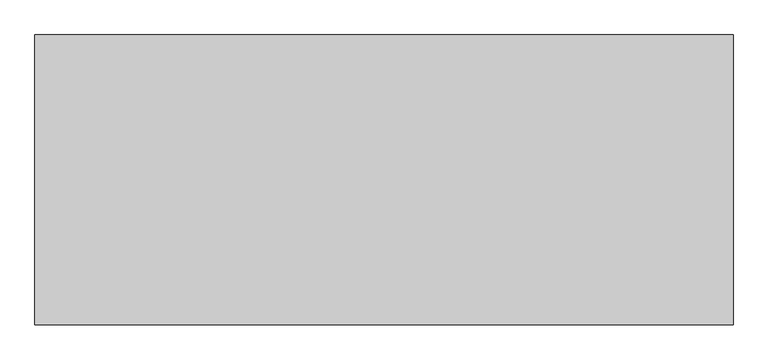
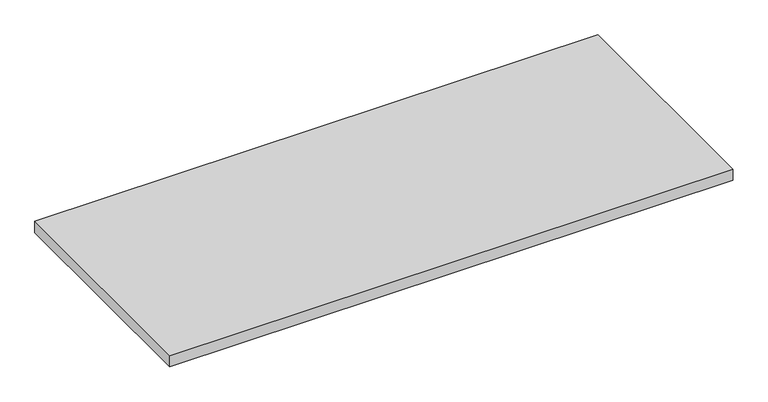
"""IFC4 building model written with IfcOpenShell, lengths in millimetres: furniture geometry."""

import ifcopenshell
import ifcopenshell.guid

model = None  # the IFC model being written
_history = None  # IfcOwnerHistory: only IFC2X3 demands one
_inside = {}  # id of a spatial element -> (the spatial element, [elements in it])
_under = {}  # id of a project, library or spatial element -> (it, [spatial elements below it])
_declared = {}  # id of a project -> (the project, [libraries it declares])
_typed = {}  # id of a type object -> (the type object, [elements of that type])
_made_of = {}  # id of a material, layer set ... -> (it, [elements and type objects made of it])


def new_model(schema):
    """Start an empty IFC model of exactly this schema.

    Asked for "IFC4X3", IfcOpenShell would pick the latest addendum, in which some entities
    have other attributes; the version numbers below select the first issue.
    IFC2X3 requires an IfcOwnerHistory on every rooted entity: one is made here for all.
    """
    global model, _history
    if schema == "IFC4X3":
        model = ifcopenshell.file(schema_version=(4, 3, 0, 0))
    else:
        model = ifcopenshell.file(schema=schema)
    _inside.clear()
    _under.clear()
    _declared.clear()
    _typed.clear()
    _made_of.clear()
    _history = None
    if model.schema == "IFC2X3":
        org = make("IfcOrganization", Name="unknown")
        user = make(
            "IfcPersonAndOrganization",
            ThePerson=make("IfcPerson", FamilyName="unknown"),
            TheOrganization=org,
        )
        app = make(
            "IfcApplication",
            ApplicationDeveloper=org,
            Version="unknown",
            ApplicationFullName="unknown",
            ApplicationIdentifier="unknown",
        )
        _history = make(
            "IfcOwnerHistory",
            OwningUser=user,
            OwningApplication=app,
            ChangeAction="ADDED",
            CreationDate=0,
        )
    return model


def make(cls, **values):
    """One entity of the class cls with the attributes given. An attribute that is None is left unset."""
    return model.create_entity(
        cls, **{name: value for name, value in values.items() if value is not None}
    )


def rooted(cls, **values):
    """An entity with a GlobalId (a new one), such as an element, a storey or a relation."""
    return make(cls, GlobalId=ifcopenshell.guid.new(), OwnerHistory=_history, **values)


def si_unit(unit_type, name, prefix=None):
    """IfcSIUnit, for example si_unit("LENGTHUNIT", "METRE", prefix="MILLI")."""
    return make("IfcSIUnit", UnitType=unit_type, Prefix=prefix, Name=name)


def assignment(units):
    """IfcUnitAssignment: the units of a project."""
    return None if units is None else make("IfcUnitAssignment", Units=units)


def point(xyz):
    """IfcCartesianPoint."""
    return None if xyz is None else make("IfcCartesianPoint", Coordinates=xyz)


def direction(xyz):
    """IfcDirection."""
    return None if xyz is None else make("IfcDirection", DirectionRatios=xyz)


def frame(location, z_axis=None, x_axis=None):
    """IfcAxis2Placement3D, a coordinate frame: its origin and axes. An axis left out is left unset."""
    return make(
        "IfcAxis2Placement3D",
        Location=point(location),
        Axis=direction(z_axis),
        RefDirection=direction(x_axis),
    )


def origin():
    """The frame at (0, 0, 0) with its axes left unset."""
    return frame((0.0, 0.0, 0.0))


def place(relative_to, where):
    """IfcLocalPlacement: puts the frame where relative to a parent placement (None: the world)."""
    return make(
        "IfcLocalPlacement", PlacementRelTo=relative_to, RelativePlacement=where
    )


def context(
    kind, dimensions, precision=None, world=None, true_north=None, identifier=None
):
    """IfcGeometricRepresentationContext, for example the 3D "Model" context."""
    return make(
        "IfcGeometricRepresentationContext",
        ContextIdentifier=identifier,
        ContextType=kind,
        CoordinateSpaceDimension=dimensions,
        Precision=precision,
        WorldCoordinateSystem=world,
        TrueNorth=true_north,
    )


def project(units=None, contexts=None):
    """IfcProject with its units and contexts."""
    return rooted(
        "IfcProject",
        Name="project",
        RepresentationContexts=contexts,
        UnitsInContext=assignment(units),
    )


def spatial(cls, under=None, at=None, **own):
    """A site, building, storey or space (cls), placed at a placement, below another one or the project."""
    s = rooted(cls, ObjectPlacement=at, **own)
    if under is not None:
        _under.setdefault(under.id(), (under, []))[1].append(s)
    return s


def polyline(points):
    """IfcPolyline through the points."""
    return make("IfcPolyline", Points=[point(p) for p in points])


def outline(outer, holes=None, kind="AREA"):
    """IfcArbitraryClosedProfileDef: a profile drawn as a closed curve; with holes, ...WithVoids."""
    if holes is None:
        return make("IfcArbitraryClosedProfileDef", ProfileType=kind, OuterCurve=outer)
    return make(
        "IfcArbitraryProfileDefWithVoids",
        ProfileType=kind,
        OuterCurve=outer,
        InnerCurves=holes,
    )


def extrude(swept, where, along, depth):
    """IfcExtrudedAreaSolid: the profile swept, set in the frame where, extruded along a direction by depth."""
    return make(
        "IfcExtrudedAreaSolid",
        SweptArea=swept,
        Position=where,
        ExtrudedDirection=direction(along),
        Depth=depth,
    )


def shape(context_of_items, identifier, shape_type, items):
    """IfcShapeRepresentation: the items that make up one representation, for example the "Body"."""
    return make(
        "IfcShapeRepresentation",
        ContextOfItems=context_of_items,
        RepresentationIdentifier=identifier,
        RepresentationType=shape_type,
        Items=items,
    )


def source(mapping_origin, context_of_items, identifier, shape_type, items):
    """IfcRepresentationMap: a shape defined once, which mapped items show again and again."""
    return make(
        "IfcRepresentationMap",
        MappingOrigin=mapping_origin,
        MappedRepresentation=shape(context_of_items, identifier, shape_type, items),
    )


def transform(
    local_origin,
    x_axis=None,
    y_axis=None,
    z_axis=None,
    scale=None,
    scale2=None,
    scale3=None,
    uniform=True,
):
    """IfcCartesianTransformationOperator3D, or its non-uniform kind. x_axis, y_axis, z_axis: its Axis1, 2, 3."""
    if uniform:
        return make(
            "IfcCartesianTransformationOperator3D",
            Axis1=direction(x_axis),
            Axis2=direction(y_axis),
            LocalOrigin=point(local_origin),
            Scale=scale,
            Axis3=direction(z_axis),
        )
    return make(
        "IfcCartesianTransformationOperator3DnonUniform",
        Axis1=direction(x_axis),
        Axis2=direction(y_axis),
        LocalOrigin=point(local_origin),
        Scale=scale,
        Axis3=direction(z_axis),
        Scale2=scale2,
        Scale3=scale3,
    )


def mapped(mapping_source, mapping_target):
    """IfcMappedItem: shows the shape of a source again, moved by a transform."""
    return make(
        "IfcMappedItem", MappingSource=mapping_source, MappingTarget=mapping_target
    )


def made_of(thing, what):
    """Note that an element or type object is made of a material, layer set ...; save() writes the relation."""
    if what is not None:
        _made_of.setdefault(what.id(), (what, []))[1].append(thing)
    return thing


def element(
    cls,
    number,
    at=None,
    inside=None,
    cuts=None,
    type_object=None,
    material=None,
    context=None,
    identifier="Body",
    shape_type=None,
    held_by="IfcProductDefinitionShape",
    body=None,
    shapes=None,
    **own,
):
    """One element of the class cls, such as IfcWall. Its Tag is "e" and its number.

    at: its placement. inside: the storey or other place that contains it. cuts: it is an
    opening in that element (IfcRelVoidsElement). A single representation is given by context,
    identifier, shape_type and body (its items); several are given by shapes. held_by: the class
    of the entity that holds the representations. save() writes the other relations.
    """
    e = rooted(cls, Tag="e%d" % number, ObjectPlacement=at, **own)
    if body is not None:
        shapes = [shape(context, identifier, shape_type, body)]
    if shapes is not None:
        e.Representation = make(held_by, Representations=shapes)
    if inside is not None:
        _inside.setdefault(inside.id(), (inside, []))[1].append(e)
    if cuts is not None:
        rooted(
            "IfcRelVoidsElement", RelatingBuildingElement=cuts, RelatedOpeningElement=e
        )
    if type_object is not None:
        _typed.setdefault(type_object.id(), (type_object, []))[1].append(e)
    return made_of(e, material)


def aggregate(whole, parts):
    """IfcRelAggregates: a whole, such as a stair, and the parts it consists of."""
    return rooted("IfcRelAggregates", RelatingObject=whole, RelatedObjects=parts)


def save(model, path):
    """Write the relations noted so far, then the file.

    IfcRelAggregates (storeys below a building ...), IfcRelContainedInSpatialStructure (elements
    in a storey), IfcRelDefinesByType, IfcRelAssociatesMaterial and IfcRelDeclares: one each for
    every whole, place, type object, material and project.
    """
    for whole, parts in _under.values():
        aggregate(whole, parts)
    for where, things in _inside.values():
        rooted(
            "IfcRelContainedInSpatialStructure",
            RelatedElements=things,
            RelatingStructure=where,
        )
    for kind, things in _typed.values():
        rooted("IfcRelDefinesByType", RelatedObjects=things, RelatingType=kind)
    for what, things in _made_of.values():
        rooted("IfcRelAssociatesMaterial", RelatedObjects=things, RelatingMaterial=what)
    for by, libraries in _declared.values():
        rooted("IfcRelDeclares", RelatingContext=by, RelatedDefinitions=libraries)
    model.write(path)


def furniture_ca6a4caf(model_context):
    return source(origin(), model_context, "Body", "SweptSolid", [
        extrude(outline(polyline([(1217.5998, -548.7539634), (1217.5998, -1053.7059634), (1.6002, -1053.7059634), (1.6002, -548.7539634), (1217.5998, -548.7539634)])), frame((0.0, 0.0, 565.15), z_axis=(0.0, 0.0, 1.0), x_axis=(1.0, 0.0, 0.0)), (0.0, 0.0, 1.0), 25.4),
    ])


if __name__ == "__main__":
    model = new_model("IFC4")
    model_context = context("Model", 3, world=origin())
    ifc_project = project(units=[si_unit("LENGTHUNIT", "METRE", prefix="MILLI")], contexts=[model_context])
    site = spatial("IfcSite", under=ifc_project)
    building = spatial("IfcBuilding", under=site)
    placement = place(None, origin())
    furniture_shape = furniture_ca6a4caf(model_context)
    element("IfcFurniture", 1, at=placement, inside=building, context=model_context, shape_type="MappedRepresentation", body=[
        mapped(furniture_shape, transform((0.0, 0.0, 0.0), x_axis=(1.0, 0.0, 0.0), y_axis=(0.0, 1.0, 0.0), z_axis=(0.0, 0.0, 1.0))),
    ])
    save(model, "model.ifc")
